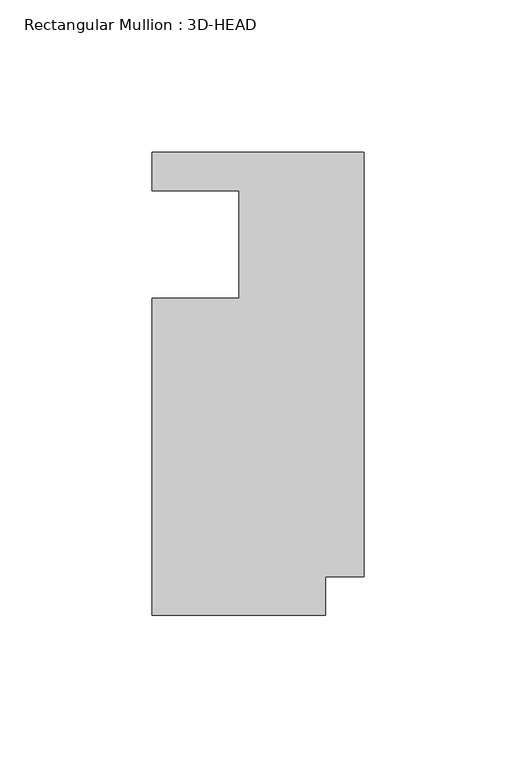
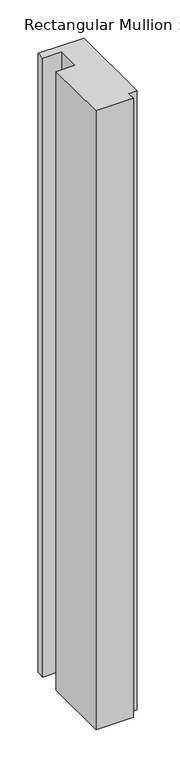
"""IFC4 building model written with IfcOpenShell, lengths in millimetres: member geometry, Rectangular Mullion : 3D-HEAD."""

from ifc_helpers import new_model, si_unit, frame, origin, place, context, project, spatial, polyline, outline, extrude, source, transform, mapped, element, save


def rectangular_mullion_3d_head_f7f45849(model_context):
    return source(origin(), model_context, "Body", "SweptSolid", [
        extrude(outline(polyline([(0.0, 7.14375), (0.0, -132.49275), (-12.7, -132.49275), (-12.7, -145.25625), (-69.85, -145.25625), (-69.85, -41.01465), (-41.2496, -41.01465), (-41.2496, -5.55625), (-69.85, -5.55625), (-69.85, 7.14375), (0.0, 7.14375)])), frame((0.0, 0.0, -992.2300285), z_axis=(0.0, 0.0, 1.0), x_axis=(1.0, 0.0, 0.0)), (0.0, 0.0, 1.0), 992.2300285),
    ])


if __name__ == "__main__":
    model = new_model("IFC4")
    model_context = context("Model", 3, world=origin())
    ifc_project = project(units=[si_unit("LENGTHUNIT", "METRE", prefix="MILLI")], contexts=[model_context])
    site = spatial("IfcSite", under=ifc_project)
    building = spatial("IfcBuilding", under=site)
    placement = place(None, origin())
    rectangular_mullion_3d_head_shape = rectangular_mullion_3d_head_f7f45849(model_context)
    element("IfcMember", 1, ObjectType="Rectangular Mullion : 3D-HEAD", at=placement, inside=building, context=model_context, shape_type="MappedRepresentation", body=[
        mapped(rectangular_mullion_3d_head_shape, transform((0.0, 0.0, 0.0), x_axis=(1.0, 0.0, 0.0), y_axis=(0.0, 1.0, 0.0), z_axis=(0.0, 0.0, 1.0))),
    ])
    save(model, "model.ifc")
